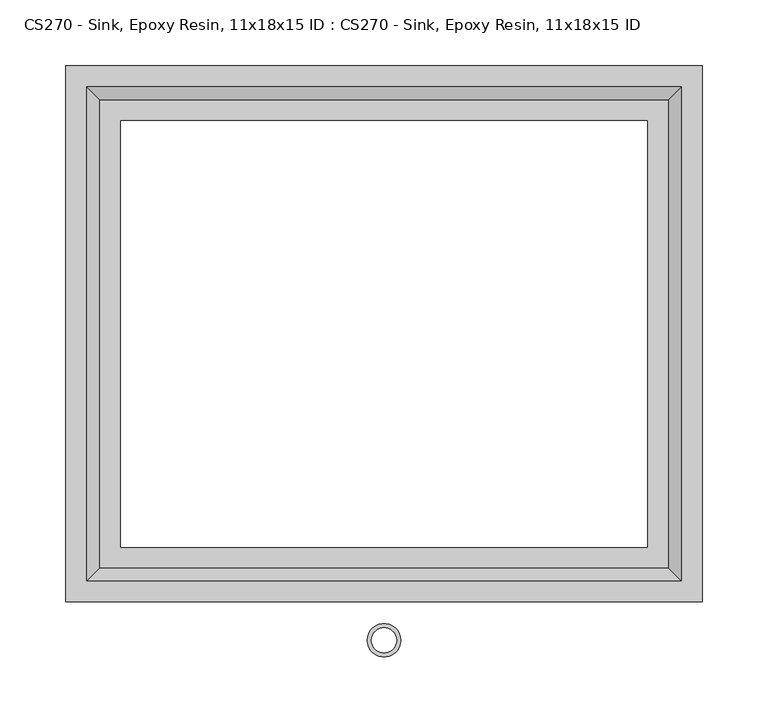
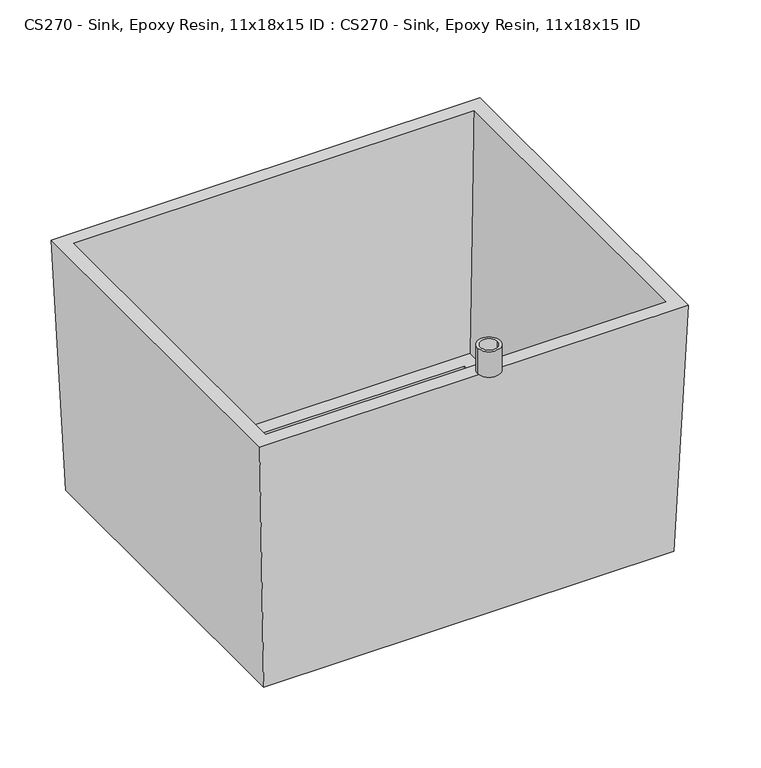
"""IFC4 building model written with IfcOpenShell, lengths in millimetres: proxy geometry, CS270 - Sink, Epoxy Resin, 11x18x15 ID : CS270 - Sink, Epoxy Resin, 11x18x15 ID."""

from ifc_helpers import new_model, si_unit, point, frame, frame_2d, origin, place, context, project, spatial, circle_curve, trimmed, segment, composite_curve, outline, extrude, faceted_brep, source, transform, mapped, element, save


def cs270_sink_epoxy_resin_11x18x15_id_cs270_sink_epoxy_resin_5a5a0e5e(model_context):
    return source(origin(), model_context, "Body", "SolidModel", [
        extrude(outline(composite_curve([segment(trimmed(circle_curve(frame_2d((0.0, -232.5535319)), 12.7), [point((-12.7, -232.5535319))], [point((12.7, -232.5535319))], False, "CARTESIAN"), True, "CONTINUOUS"), segment(trimmed(circle_curve(frame_2d((0.0, -232.5535319)), 12.7), [point((12.7, -232.5535319))], [point((-12.7, -232.5535319))], False, "CARTESIAN"), True, "CONTINUOUS")], self_intersect=False), holes=[composite_curve([segment(trimmed(circle_curve(frame_2d((0.0, -232.5535319)), 9.525), [point((-9.525, -232.5535319))], [point((9.525, -232.5535319))], True, "CARTESIAN"), True, "CONTINUOUS"), segment(trimmed(circle_curve(frame_2d((0.0, -232.5535319)), 9.525), [point((9.525, -232.5535319))], [point((-9.525, -232.5535319))], True, "CARTESIAN"), True, "CONTINUOUS")], self_intersect=False)]), frame((0.0, 0.0, 863.6), z_axis=(0.0, 0.0, 1.0), x_axis=(1.0, 0.0, 0.0)), (0.0, 0.0, 1.0), 30.1625),
        faceted_brep([(-215.6740806, 177.5740806, 558.9702029), (215.6740806, 177.5740806, 558.9702029), (225.425, 187.325, 838.2), (-225.425, 187.325, 838.2), (-199.7990806, 161.6990806, 542.925), (199.7990806, 161.6990806, 542.925), (199.7990806, 161.6990806, 558.9702029), (-199.7990806, 161.6990806, 558.9702029), (-241.3, 203.2, 838.2), (241.3, 203.2, 838.2), (230.9887698, 192.8887698, 542.925), (-230.9887698, 192.8887698, 542.925), (215.6740806, -177.5740806, 558.9702029), (225.425, -187.325, 838.2), (199.7990806, -161.6990806, 542.925), (199.7990806, -161.6990806, 558.9702029), (241.3, -203.2, 838.2), (230.9887698, -192.8887698, 542.925), (-215.6740806, -177.5740806, 558.9702029), (-225.425, -187.325, 838.2), (-199.7990806, -161.6990806, 542.925), (-199.7990806, -161.6990806, 558.9702029), (-241.3, -203.2, 838.2), (-230.9887698, -192.8887698, 542.925)], [[[0, 1, 2, 3]], [[4, 5, 6, 7]], [[8, 9, 10, 11]], [[1, 12, 13, 2]], [[5, 14, 15, 6]], [[9, 16, 17, 10]], [[12, 18, 19, 13]], [[14, 20, 21, 15]], [[16, 22, 23, 17]], [[9, 8, 22, 16], [3, 2, 13, 19]], [[18, 0, 3, 19]], [[1, 0, 18, 12], [7, 6, 15, 21]], [[20, 4, 7, 21]], [[11, 10, 17, 23], [5, 4, 20, 14]], [[22, 8, 11, 23]]]),
    ])


if __name__ == "__main__":
    model = new_model("IFC4")
    model_context = context("Model", 3, world=origin())
    ifc_project = project(units=[si_unit("LENGTHUNIT", "METRE", prefix="MILLI")], contexts=[model_context])
    site = spatial("IfcSite", under=ifc_project)
    building = spatial("IfcBuilding", under=site)
    placement = place(None, origin())
    cs270_sink_epoxy_resin_11x18x15_id_cs270_sink_epoxy_resin_shape = cs270_sink_epoxy_resin_11x18x15_id_cs270_sink_epoxy_resin_5a5a0e5e(model_context)
    element("IfcBuildingElementProxy", 1, Name="CS270 - Sink, Epoxy Resin, 11x18x15 ID : CS270 - Sink, Epoxy Resin, 11x18x15 ID", ObjectType="CS270 - Sink, Epoxy Resin, 11x18x15 ID : CS270 - Sink, Epoxy Resin, 11x18x15 ID", at=placement, inside=building, context=model_context, shape_type="MappedRepresentation", body=[
        mapped(cs270_sink_epoxy_resin_11x18x15_id_cs270_sink_epoxy_resin_shape, transform((0.0, 0.0, 0.0), x_axis=(1.0, 0.0, 0.0), y_axis=(0.0, 1.0, 0.0), z_axis=(0.0, 0.0, 1.0))),
    ])
    save(model, "model.ifc")
